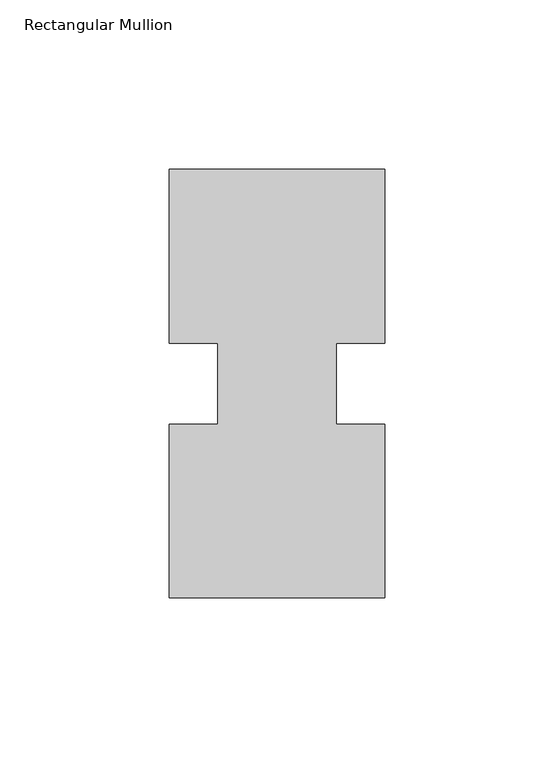
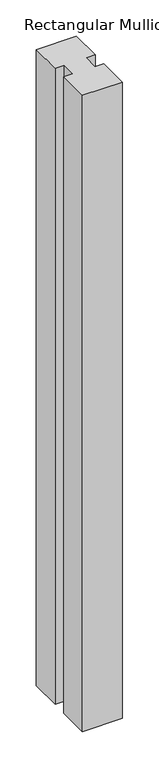
"""IFC4 building model written with IfcOpenShell, lengths in millimetres: member geometry, Rectangular Mullion."""

from ifc_helpers import new_model, si_unit, frame, origin, place, context, project, spatial, polyline, outline, extrude, source, transform, mapped, element, save


def rectangular_mullion_f477a969(model_context):
    return source(origin(), model_context, "Body", "SweptSolid", [
        extrude(outline(polyline([(-63.5, 0.26035), (-63.5, 51.60645), (-49.2125, 51.60645), (-49.2125, 75.40625), (-63.5, 75.40625), (-63.5, 126.75235), (0.0, 126.75235), (0.0, 75.40625), (-14.2748, 75.40625), (-14.2748, 51.60645), (0.0, 51.60645), (0.0, 0.26035), (-63.5, 0.26035)])), frame((0.0, 0.0, -1066.80635), z_axis=(0.0, 0.0, 1.0), x_axis=(1.0, 0.0, 0.0)), (0.0, 0.0, 1.0), 1066.80635),
    ])


if __name__ == "__main__":
    model = new_model("IFC4")
    model_context = context("Model", 3, world=origin())
    ifc_project = project(units=[si_unit("LENGTHUNIT", "METRE", prefix="MILLI")], contexts=[model_context])
    site = spatial("IfcSite", under=ifc_project)
    building = spatial("IfcBuilding", under=site)
    placement = place(None, origin())
    rectangular_mullion_shape = rectangular_mullion_f477a969(model_context)
    element("IfcMember", 1, ObjectType="Rectangular Mullion", at=placement, inside=building, context=model_context, shape_type="MappedRepresentation", body=[
        mapped(rectangular_mullion_shape, transform((0.0, 0.0, 0.0), x_axis=(1.0, 0.0, 0.0), y_axis=(0.0, 1.0, 0.0), z_axis=(0.0, 0.0, 1.0))),
    ])
    save(model, "model.ifc")
